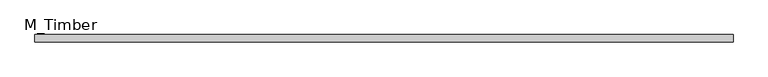
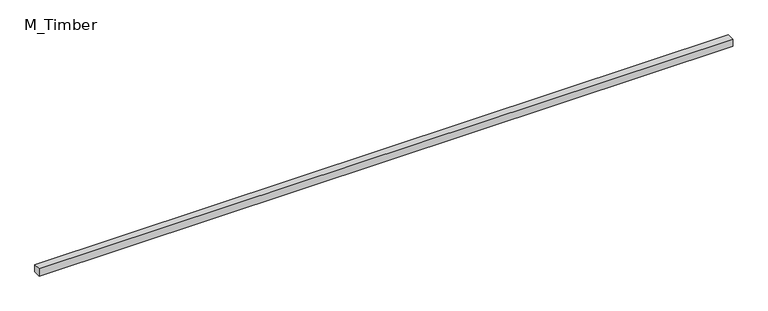
"""IFC4 building model written with IfcOpenShell, lengths in millimetres: beam geometry, M_Timber."""

from ifc_helpers import new_model, si_unit, frame, origin, place, context, project, spatial, polyline, outline, extrude, source, transform, mapped, element, save


def m_timber_cd785da8(model_context):
    return source(origin(), model_context, "Body", "SweptSolid", [
        extrude(outline(polyline([(2795.7952425, 30.0), (2795.7952425, -30.0), (-2795.7952425, -30.0), (-2795.7952425, 30.0), (2795.7952425, 30.0)])), frame((0.0, 0.0, -30.0), z_axis=(0.0, 0.0, 1.0), x_axis=(1.0, 0.0, 0.0)), (0.0, 0.0, 1.0), 60.0),
    ])


if __name__ == "__main__":
    model = new_model("IFC4")
    model_context = context("Model", 3, world=origin())
    ifc_project = project(units=[si_unit("LENGTHUNIT", "METRE", prefix="MILLI")], contexts=[model_context])
    site = spatial("IfcSite", under=ifc_project)
    building = spatial("IfcBuilding", under=site)
    placement = place(None, origin())
    m_timber_shape = m_timber_cd785da8(model_context)
    element("IfcBeam", 1, ObjectType="M_Timber", at=placement, inside=building, context=model_context, shape_type="MappedRepresentation", body=[
        mapped(m_timber_shape, transform((0.0, 0.0, 0.0), x_axis=(1.0, 0.0, 0.0), y_axis=(0.0, 1.0, 0.0), z_axis=(0.0, 0.0, 1.0))),
    ])
    save(model, "model.ifc")
